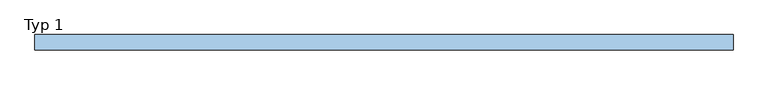
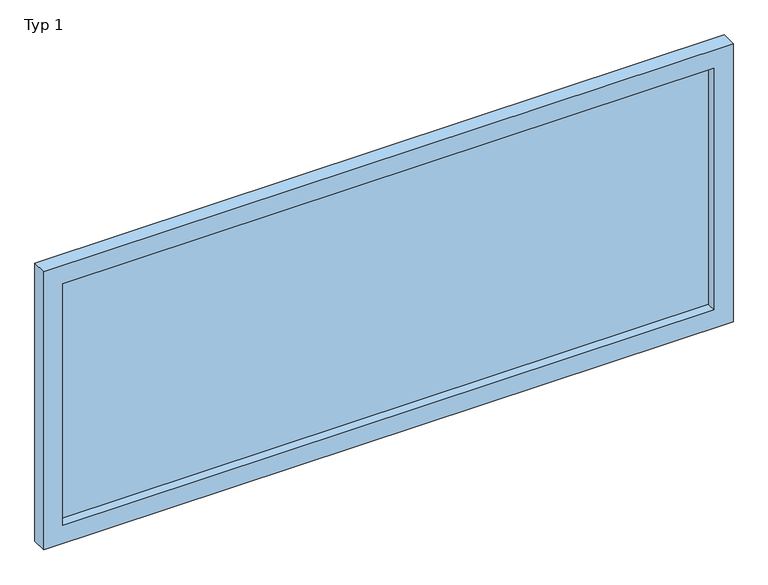
"""IFC4 building model written with IfcOpenShell, lengths in millimetres: window geometry, Typ 1."""

from ifc_helpers import new_model, si_unit, frame, origin, place, context, project, spatial, polyline, outline, extrude, source, transform, mapped, element, save


def typ_1_ac8e788b(model_context):
    return source(origin(), model_context, "Body", "SweptSolid", [
        extrude(outline(polyline([(1825.0, 10.0), (-1575.0, 10.0), (-1575.0, 20.0), (1825.0, 20.0), (1825.0, 10.0)])), frame((0.0, 0.0, 606.7811779), z_axis=(0.0, 0.0, 1.0), x_axis=(1.0, 0.0, 0.0)), (0.0, 0.0, 1.0), 1334.6369347),
        extrude(outline(polyline([(2041.4181125, -1675.0), (506.7811779, -1675.0), (506.7811779, 1925.0), (2041.4181125, 1925.0), (2041.4181125, -1675.0)]), holes=[polyline([(1941.4181125, -1575.0), (1941.4181125, 1825.0), (606.7811779, 1825.0), (606.7811779, -1575.0), (1941.4181125, -1575.0)])]), frame((0.0, -40.0, 0.0), z_axis=(0.0, 1.0, 0.0), x_axis=(0.0, 0.0, 1.0)), (0.0, 0.0, 1.0), 80.0),
    ])


if __name__ == "__main__":
    model = new_model("IFC4")
    model_context = context("Model", 3, world=origin())
    ifc_project = project(units=[si_unit("LENGTHUNIT", "METRE", prefix="MILLI")], contexts=[model_context])
    site = spatial("IfcSite", under=ifc_project)
    building = spatial("IfcBuilding", under=site)
    placement = place(None, origin())
    typ_1_shape = typ_1_ac8e788b(model_context)
    element("IfcWindow", 1, ObjectType="Typ 1", at=placement, inside=building, context=model_context, shape_type="MappedRepresentation", body=[
        mapped(typ_1_shape, transform((0.0, 0.0, 0.0), x_axis=(1.0, 0.0, 0.0), y_axis=(0.0, 1.0, 0.0), z_axis=(0.0, 0.0, 1.0))),
    ])
    save(model, "model.ifc")
